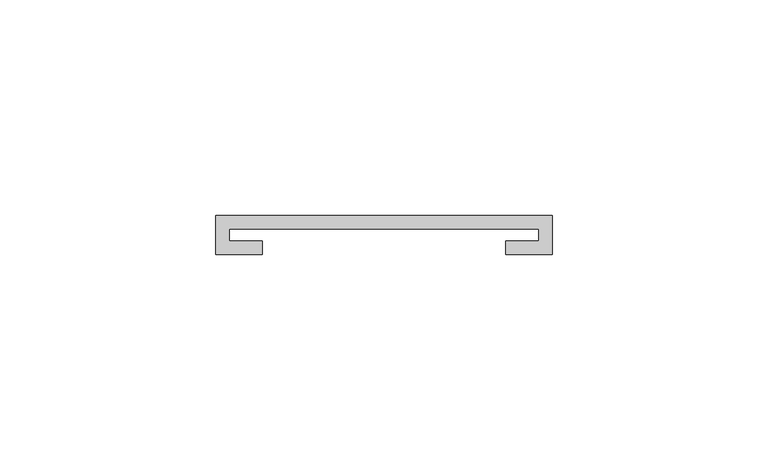
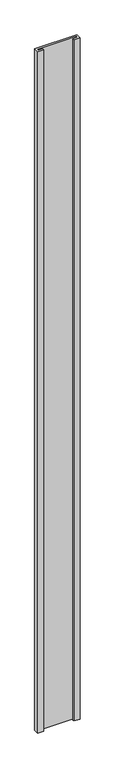
"""IFC4 building model written with IfcOpenShell, lengths in millimetres: furniture geometry."""

from ifc_helpers import new_model, si_unit, frame, origin, place, context, project, spatial, polyline, outline, extrude, source, transform, mapped, element, save


def furniture_182644e4(model_context):
    return source(origin(), model_context, "Body", "SweptSolid", [
        extrude(outline(polyline([(-39.0921875, 29.9735875), (-39.0921875, 39.0921875), (39.0921875, 39.0921875), (39.0921875, 29.9735875), (28.2971875, 29.9735875), (28.2971875, 33.1485875), (35.9171875, 33.1485875), (35.9171875, 35.9171875), (-35.9171875, 35.9171875), (-35.9171875, 33.1485875), (-28.2971875, 33.1485875), (-28.2971875, 29.9735875), (-39.0921875, 29.9735875)])), frame((0.0, 0.0, 1244.6), z_axis=(0.0, 0.0, 1.0), x_axis=(1.0, 0.0, 0.0)), (0.0, 0.0, 1.0), 1328.1421875),
    ])


if __name__ == "__main__":
    model = new_model("IFC4")
    model_context = context("Model", 3, world=origin())
    ifc_project = project(units=[si_unit("LENGTHUNIT", "METRE", prefix="MILLI")], contexts=[model_context])
    site = spatial("IfcSite", under=ifc_project)
    building = spatial("IfcBuilding", under=site)
    placement = place(None, origin())
    furniture_shape = furniture_182644e4(model_context)
    element("IfcFurniture", 1, at=placement, inside=building, context=model_context, shape_type="MappedRepresentation", body=[
        mapped(furniture_shape, transform((0.0, 0.0, 0.0), x_axis=(1.0, 0.0, 0.0), y_axis=(0.0, 1.0, 0.0), z_axis=(0.0, 0.0, 1.0))),
    ])
    save(model, "model.ifc")
